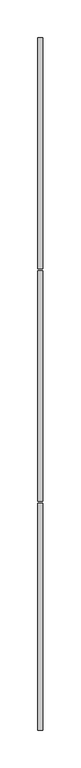
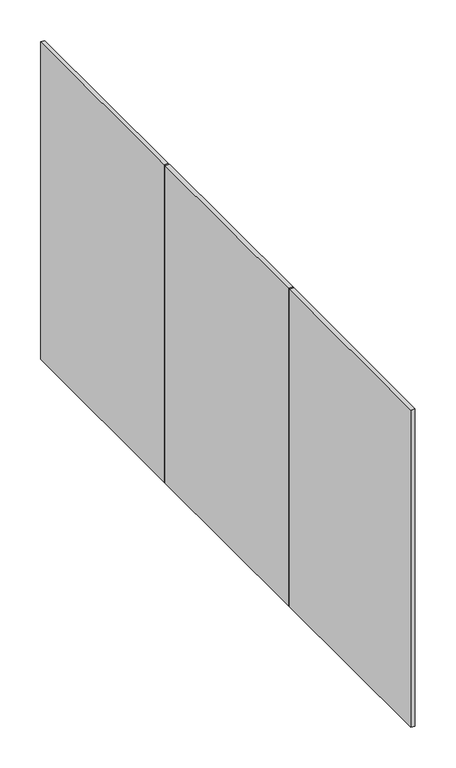
"""IFC4 building model written with IfcOpenShell, lengths in millimetres: proxy geometry."""

from ifc_helpers import new_model, si_unit, frame, origin, place, context, project, spatial, polyline, outline, extrude, source, transform, mapped, element, save


def generic_models_22e304df(model_context):
    return source(origin(), model_context, "Body", "SweptSolid", [
        extrude(outline(polyline([(37964.0460168, -24281.9529893), (37964.0460168, -23977.1529893), (37970.3960168, -23977.1529893), (37970.3960168, -24281.9529893), (37964.0460168, -24281.9529893)])), frame((0.0, 0.0, 5160.6640625), z_axis=(0.0, 0.0, 1.0), x_axis=(1.0, 0.0, 0.0)), (0.0, 0.0, 1.0), 478.1359375),
        extrude(outline(polyline([(37964.0460168, -24589.2929893), (37964.0460168, -24284.4929893), (37970.3960168, -24284.4929893), (37970.3960168, -24589.2929893), (37964.0460168, -24589.2929893)])), frame((0.0, 0.0, 5160.6640625), z_axis=(0.0, 0.0, 1.0), x_axis=(1.0, 0.0, 0.0)), (0.0, 0.0, 1.0), 478.1359375),
        extrude(outline(polyline([(37964.0460168, -24591.8329893), (37970.3960168, -24591.8329893), (37970.3960168, -24891.5529893), (37964.0460168, -24891.5529893), (37964.0460168, -24591.8329893)])), frame((0.0, 0.0, 5160.6640625), z_axis=(0.0, 0.0, 1.0), x_axis=(1.0, 0.0, 0.0)), (0.0, 0.0, 1.0), 478.1359375),
    ])


if __name__ == "__main__":
    model = new_model("IFC4")
    model_context = context("Model", 3, world=origin())
    ifc_project = project(units=[si_unit("LENGTHUNIT", "METRE", prefix="MILLI")], contexts=[model_context])
    site = spatial("IfcSite", under=ifc_project)
    building = spatial("IfcBuilding", under=site)
    placement = place(None, origin())
    generic_models_shape = generic_models_22e304df(model_context)
    element("IfcBuildingElementProxy", 1, Name="Generic Models", at=placement, inside=building, context=model_context, shape_type="MappedRepresentation", body=[
        mapped(generic_models_shape, transform((0.0, 0.0, 0.0), x_axis=(1.0, 0.0, 0.0), y_axis=(0.0, 1.0, 0.0), z_axis=(0.0, 0.0, 1.0))),
    ])
    save(model, "model.ifc")
